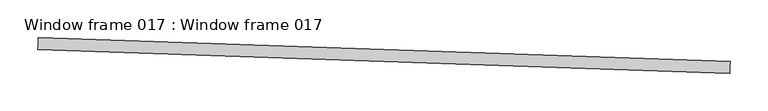
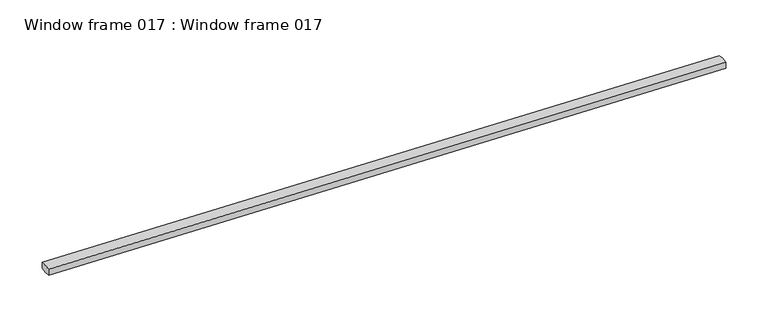
"""IFC4 building model written with IfcOpenShell, lengths in millimetres: proxy geometry, Window frame 017 : Window frame 017."""

import ifcopenshell
import ifcopenshell.guid

model = None  # the IFC model being written
_history = None  # IfcOwnerHistory: only IFC2X3 demands one
_inside = {}  # id of a spatial element -> (the spatial element, [elements in it])
_under = {}  # id of a project, library or spatial element -> (it, [spatial elements below it])
_declared = {}  # id of a project -> (the project, [libraries it declares])
_typed = {}  # id of a type object -> (the type object, [elements of that type])
_made_of = {}  # id of a material, layer set ... -> (it, [elements and type objects made of it])


def new_model(schema):
    """Start an empty IFC model of exactly this schema.

    Asked for "IFC4X3", IfcOpenShell would pick the latest addendum, in which some entities
    have other attributes; the version numbers below select the first issue.
    IFC2X3 requires an IfcOwnerHistory on every rooted entity: one is made here for all.
    """
    global model, _history
    if schema == "IFC4X3":
        model = ifcopenshell.file(schema_version=(4, 3, 0, 0))
    else:
        model = ifcopenshell.file(schema=schema)
    _inside.clear()
    _under.clear()
    _declared.clear()
    _typed.clear()
    _made_of.clear()
    _history = None
    if model.schema == "IFC2X3":
        org = make("IfcOrganization", Name="unknown")
        user = make(
            "IfcPersonAndOrganization",
            ThePerson=make("IfcPerson", FamilyName="unknown"),
            TheOrganization=org,
        )
        app = make(
            "IfcApplication",
            ApplicationDeveloper=org,
            Version="unknown",
            ApplicationFullName="unknown",
            ApplicationIdentifier="unknown",
        )
        _history = make(
            "IfcOwnerHistory",
            OwningUser=user,
            OwningApplication=app,
            ChangeAction="ADDED",
            CreationDate=0,
        )
    return model


def make(cls, **values):
    """One entity of the class cls with the attributes given. An attribute that is None is left unset."""
    return model.create_entity(
        cls, **{name: value for name, value in values.items() if value is not None}
    )


def rooted(cls, **values):
    """An entity with a GlobalId (a new one), such as an element, a storey or a relation."""
    return make(cls, GlobalId=ifcopenshell.guid.new(), OwnerHistory=_history, **values)


def si_unit(unit_type, name, prefix=None):
    """IfcSIUnit, for example si_unit("LENGTHUNIT", "METRE", prefix="MILLI")."""
    return make("IfcSIUnit", UnitType=unit_type, Prefix=prefix, Name=name)


def assignment(units):
    """IfcUnitAssignment: the units of a project."""
    return None if units is None else make("IfcUnitAssignment", Units=units)


def point(xyz):
    """IfcCartesianPoint."""
    return None if xyz is None else make("IfcCartesianPoint", Coordinates=xyz)


def direction(xyz):
    """IfcDirection."""
    return None if xyz is None else make("IfcDirection", DirectionRatios=xyz)


def frame(location, z_axis=None, x_axis=None):
    """IfcAxis2Placement3D, a coordinate frame: its origin and axes. An axis left out is left unset."""
    return make(
        "IfcAxis2Placement3D",
        Location=point(location),
        Axis=direction(z_axis),
        RefDirection=direction(x_axis),
    )


def frame_2d(location, x_axis=None):
    """IfcAxis2Placement2D, a coordinate frame in the plane: its origin and x axis."""
    return make(
        "IfcAxis2Placement2D", Location=point(location), RefDirection=direction(x_axis)
    )


def origin():
    """The frame at (0, 0, 0) with its axes left unset."""
    return frame((0.0, 0.0, 0.0))


def place(relative_to, where):
    """IfcLocalPlacement: puts the frame where relative to a parent placement (None: the world)."""
    return make(
        "IfcLocalPlacement", PlacementRelTo=relative_to, RelativePlacement=where
    )


def context(
    kind, dimensions, precision=None, world=None, true_north=None, identifier=None
):
    """IfcGeometricRepresentationContext, for example the 3D "Model" context."""
    return make(
        "IfcGeometricRepresentationContext",
        ContextIdentifier=identifier,
        ContextType=kind,
        CoordinateSpaceDimension=dimensions,
        Precision=precision,
        WorldCoordinateSystem=world,
        TrueNorth=true_north,
    )


def project(units=None, contexts=None):
    """IfcProject with its units and contexts."""
    return rooted(
        "IfcProject",
        Name="project",
        RepresentationContexts=contexts,
        UnitsInContext=assignment(units),
    )


def spatial(cls, under=None, at=None, **own):
    """A site, building, storey or space (cls), placed at a placement, below another one or the project."""
    s = rooted(cls, ObjectPlacement=at, **own)
    if under is not None:
        _under.setdefault(under.id(), (under, []))[1].append(s)
    return s


def polyline(points):
    """IfcPolyline through the points."""
    return make("IfcPolyline", Points=[point(p) for p in points])


def circle_curve(where, radius):
    """IfcCircle in the frame where."""
    return make("IfcCircle", Position=where, Radius=radius)


def trimmed(basis, trim1, trim2, sense, master):
    """IfcTrimmedCurve: the piece of a basis curve between two trims."""
    return make(
        "IfcTrimmedCurve",
        BasisCurve=basis,
        Trim1=trim1,
        Trim2=trim2,
        SenseAgreement=sense,
        MasterRepresentation=master,
    )


def segment(curve, same_sense, transition):
    """IfcCompositeCurveSegment."""
    return make(
        "IfcCompositeCurveSegment",
        Transition=transition,
        SameSense=same_sense,
        ParentCurve=curve,
    )


def composite_curve(segments, self_intersect=None):
    """IfcCompositeCurve: segments joined end to end."""
    return make("IfcCompositeCurve", Segments=segments, SelfIntersect=self_intersect)


def outline(outer, holes=None, kind="AREA"):
    """IfcArbitraryClosedProfileDef: a profile drawn as a closed curve; with holes, ...WithVoids."""
    if holes is None:
        return make("IfcArbitraryClosedProfileDef", ProfileType=kind, OuterCurve=outer)
    return make(
        "IfcArbitraryProfileDefWithVoids",
        ProfileType=kind,
        OuterCurve=outer,
        InnerCurves=holes,
    )


def extrude(swept, where, along, depth):
    """IfcExtrudedAreaSolid: the profile swept, set in the frame where, extruded along a direction by depth."""
    return make(
        "IfcExtrudedAreaSolid",
        SweptArea=swept,
        Position=where,
        ExtrudedDirection=direction(along),
        Depth=depth,
    )


def shape(context_of_items, identifier, shape_type, items):
    """IfcShapeRepresentation: the items that make up one representation, for example the "Body"."""
    return make(
        "IfcShapeRepresentation",
        ContextOfItems=context_of_items,
        RepresentationIdentifier=identifier,
        RepresentationType=shape_type,
        Items=items,
    )


def source(mapping_origin, context_of_items, identifier, shape_type, items):
    """IfcRepresentationMap: a shape defined once, which mapped items show again and again."""
    return make(
        "IfcRepresentationMap",
        MappingOrigin=mapping_origin,
        MappedRepresentation=shape(context_of_items, identifier, shape_type, items),
    )


def transform(
    local_origin,
    x_axis=None,
    y_axis=None,
    z_axis=None,
    scale=None,
    scale2=None,
    scale3=None,
    uniform=True,
):
    """IfcCartesianTransformationOperator3D, or its non-uniform kind. x_axis, y_axis, z_axis: its Axis1, 2, 3."""
    if uniform:
        return make(
            "IfcCartesianTransformationOperator3D",
            Axis1=direction(x_axis),
            Axis2=direction(y_axis),
            LocalOrigin=point(local_origin),
            Scale=scale,
            Axis3=direction(z_axis),
        )
    return make(
        "IfcCartesianTransformationOperator3DnonUniform",
        Axis1=direction(x_axis),
        Axis2=direction(y_axis),
        LocalOrigin=point(local_origin),
        Scale=scale,
        Axis3=direction(z_axis),
        Scale2=scale2,
        Scale3=scale3,
    )


def mapped(mapping_source, mapping_target):
    """IfcMappedItem: shows the shape of a source again, moved by a transform."""
    return make(
        "IfcMappedItem", MappingSource=mapping_source, MappingTarget=mapping_target
    )


def made_of(thing, what):
    """Note that an element or type object is made of a material, layer set ...; save() writes the relation."""
    if what is not None:
        _made_of.setdefault(what.id(), (what, []))[1].append(thing)
    return thing


def element(
    cls,
    number,
    at=None,
    inside=None,
    cuts=None,
    type_object=None,
    material=None,
    context=None,
    identifier="Body",
    shape_type=None,
    held_by="IfcProductDefinitionShape",
    body=None,
    shapes=None,
    **own,
):
    """One element of the class cls, such as IfcWall. Its Tag is "e" and its number.

    at: its placement. inside: the storey or other place that contains it. cuts: it is an
    opening in that element (IfcRelVoidsElement). A single representation is given by context,
    identifier, shape_type and body (its items); several are given by shapes. held_by: the class
    of the entity that holds the representations. save() writes the other relations.
    """
    e = rooted(cls, Tag="e%d" % number, ObjectPlacement=at, **own)
    if body is not None:
        shapes = [shape(context, identifier, shape_type, body)]
    if shapes is not None:
        e.Representation = make(held_by, Representations=shapes)
    if inside is not None:
        _inside.setdefault(inside.id(), (inside, []))[1].append(e)
    if cuts is not None:
        rooted(
            "IfcRelVoidsElement", RelatingBuildingElement=cuts, RelatedOpeningElement=e
        )
    if type_object is not None:
        _typed.setdefault(type_object.id(), (type_object, []))[1].append(e)
    return made_of(e, material)


def aggregate(whole, parts):
    """IfcRelAggregates: a whole, such as a stair, and the parts it consists of."""
    return rooted("IfcRelAggregates", RelatingObject=whole, RelatedObjects=parts)


def save(model, path):
    """Write the relations noted so far, then the file.

    IfcRelAggregates (storeys below a building ...), IfcRelContainedInSpatialStructure (elements
    in a storey), IfcRelDefinesByType, IfcRelAssociatesMaterial and IfcRelDeclares: one each for
    every whole, place, type object, material and project.
    """
    for whole, parts in _under.values():
        aggregate(whole, parts)
    for where, things in _inside.values():
        rooted(
            "IfcRelContainedInSpatialStructure",
            RelatedElements=things,
            RelatingStructure=where,
        )
    for kind, things in _typed.values():
        rooted("IfcRelDefinesByType", RelatedObjects=things, RelatingType=kind)
    for what, things in _made_of.values():
        rooted("IfcRelAssociatesMaterial", RelatedObjects=things, RelatingMaterial=what)
    for by, libraries in _declared.values():
        rooted("IfcRelDeclares", RelatingContext=by, RelatedDefinitions=libraries)
    model.write(path)


def window_frame_017_window_frame_017_e87429e2(model_context):
    return source(origin(), model_context, "Body", "SweptSolid", [
        extrude(outline(composite_curve([segment(polyline([(-8.89, 0.0), (0.0, 0.0)]), True, "CONTINUOUS"), segment(trimmed(circle_curve(frame_2d((-40.6959858, -7.9121)), 41.4579858), [point((0.0, 0.0))], [point((0.0, -15.8242))], False, "CARTESIAN"), True, "CONTINUOUS"), segment(polyline([(0.0, -15.8242), (-8.89, -15.8242)]), True, "CONTINUOUS"), segment(trimmed(circle_curve(frame_2d((31.8059858, -7.9121)), 41.4579858), [point((-8.89, -15.8242))], [point((-8.89, 0.0))], False, "CARTESIAN"), True, "CONTINUOUS")], self_intersect=False)), frame((34355.3481458, -15457.2107911, 2868.4121953), z_axis=(-0.9994149479166323, 0.03420178183655311, 0.0), x_axis=(0.0, 0.0, -1.0)), (0.0, 0.0, 1.0), 914.4),
    ])


if __name__ == "__main__":
    model = new_model("IFC4")
    model_context = context("Model", 3, world=origin())
    ifc_project = project(units=[si_unit("LENGTHUNIT", "METRE", prefix="MILLI")], contexts=[model_context])
    site = spatial("IfcSite", under=ifc_project)
    building = spatial("IfcBuilding", under=site)
    placement = place(None, origin())
    window_frame_017_window_frame_017_shape = window_frame_017_window_frame_017_e87429e2(model_context)
    element("IfcBuildingElementProxy", 1, Name="Window frame 017 : Window frame 017", ObjectType="Window frame 017 : Window frame 017", at=placement, inside=building, context=model_context, shape_type="MappedRepresentation", body=[
        mapped(window_frame_017_window_frame_017_shape, transform((0.0, 0.0, 0.0), x_axis=(1.0, 0.0, 0.0), y_axis=(0.0, 1.0, 0.0), z_axis=(0.0, 0.0, 1.0))),
    ])
    save(model, "model.ifc")
